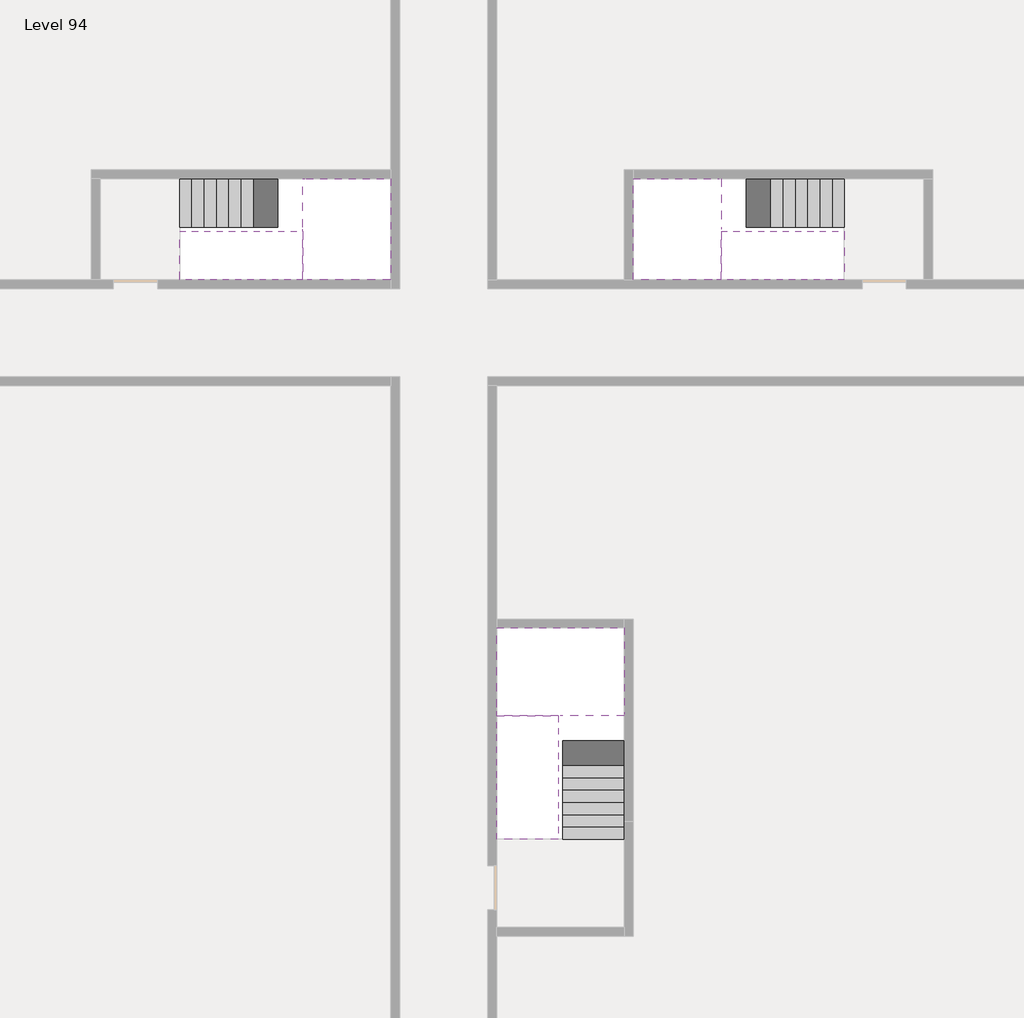
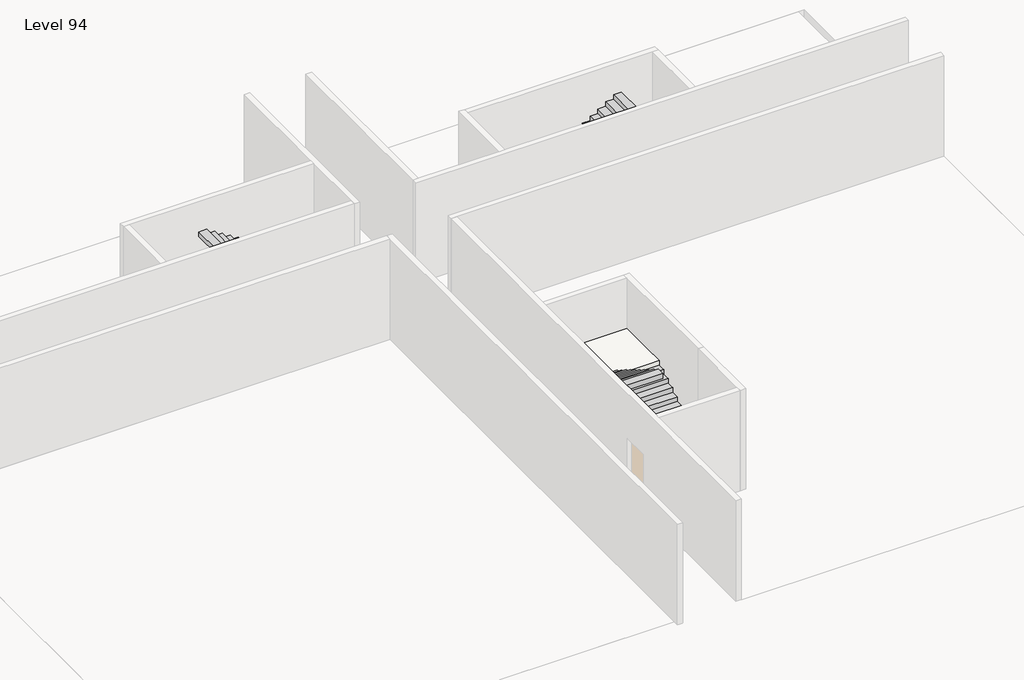
# One storey, part 2 of 2: 6 stair flights, 3 slabs.
"""IFC4 building model written with IfcOpenShell, lengths in millimetres."""

from ifc_helpers import new_model, si_unit, origin, place, context, project, spatial, faceted_brep, element, save

model = new_model("IFC4")

# Units and contexts
model_context = context("Model", 3, world=origin())
ifc_project = project(units=[si_unit("LENGTHUNIT", "METRE", prefix="MILLI")], contexts=[model_context])

# Site, building, storey
site = spatial("IfcSite", under=ifc_project)
building = spatial("IfcBuilding", under=site)
storey = spatial("IfcBuildingStorey", under=building, Name="Level 94", Elevation=353400.0)

# Slabs
placement = place(None, origin())
element("IfcSlab", 1, at=placement, inside=storey, context=model_context, shape_type="Brep", body=[
    faceted_brep([(26890.1058784, -40418.09644, 355300.0), (28290.1058784, -40418.09644, 355300.0), (28290.1058784, -40338.7100038, 355300.0), (28290.1058784, -38418.09644, 355300.0), (25390.1058784, -38418.09644, 355300.0), (25390.1058784, -40217.4828763, 355300.0), (25390.1058784, -40418.09644, 355300.0), (26790.1058784, -40418.09644, 355300.0), (26890.1058784, -40418.09644, 355000.0), (26890.1058784, -40418.09644, 354951.0278478), (28290.1058784, -40418.09644, 354951.0278478), (28290.1058784, -40418.09644, 355127.2727273), (28290.1058784, -40338.7100038, 355000.0), (28290.1058784, -38418.09644, 355000.0), (25390.1058784, -38418.09644, 355000.0), (25390.1058784, -40217.4828763, 355000.0), (25390.1058784, -40418.09644, 355123.7551205), (26790.1058784, -40418.09644, 355123.7551205), (26790.1058784, -40418.09644, 355000.0), (26790.1058784, -40217.4828763, 355000.0), (26890.1058784, -40338.7100038, 355000.0)], [[[0, 1, 2, 3, 4, 5, 6, 7]], [[1, 0, 8, 9, 10, 11]], [[1, 11, 10, 12, 13, 3, 2]], [[4, 3, 13, 14]], [[4, 14, 15, 16, 6, 5]], [[7, 6, 16, 17]], [[0, 7, 17, 18, 8]], [[18, 19, 15, 14, 13, 12, 20, 8]], [[19, 18, 17]], [[20, 12, 10, 9]], [[8, 20, 9]], [[15, 19, 17, 16]]]),
])
element("IfcSlab", 2, at=placement, inside=storey, context=model_context, shape_type="Brep", body=[
    faceted_brep([(20990.1058784, -28218.09644, 355300.0), (20990.1058784, -29318.09644, 355300.0), (20990.1058784, -29418.09644, 355300.0), (20990.1058784, -30518.09644, 355300.0), (21190.7194421, -30518.09644, 355300.0), (22990.1058784, -30518.09644, 355300.0), (22990.1058784, -28218.09644, 355300.0), (21069.4923146, -28218.09644, 355300.0), (20990.1058784, -28218.09644, 355127.2727273), (20990.1058784, -28218.09644, 354951.0278478), (20990.1058784, -29318.09644, 354951.0278478), (20990.1058784, -29318.09644, 355000.0), (20990.1058784, -29418.09644, 355000.0), (20990.1058784, -29418.09644, 355123.7551205), (20990.1058784, -30518.09644, 355123.7551205), (21190.7194421, -30518.09644, 355000.0), (22990.1058784, -30518.09644, 355000.0), (22990.1058784, -28218.09644, 355000.0), (21069.4923146, -28218.09644, 355000.0), (21190.7194421, -29418.09644, 355000.0), (21069.4923146, -29318.09644, 355000.0)], [[[0, 1, 2, 3, 4, 5, 6, 7]], [[1, 0, 8, 9, 10, 11]], [[2, 1, 11, 12, 13]], [[3, 2, 13, 14]], [[3, 14, 15, 16, 5, 4]], [[6, 5, 16, 17]], [[9, 8, 0, 7, 6, 17, 18]], [[19, 12, 11, 20, 18, 17, 16, 15]], [[12, 19, 13]], [[18, 20, 10, 9]], [[20, 11, 10]], [[19, 15, 14, 13]]]),
])
element("IfcSlab", 3, at=placement, inside=storey, context=model_context, shape_type="Brep", body=[
    faceted_brep([(30490.1058784, -29318.09644, 355300.0), (30490.1058784, -28218.09644, 355300.0), (30410.7194421, -28218.09644, 355300.0), (28490.1058784, -28218.09644, 355300.0), (28490.1058784, -30518.09644, 355300.0), (30289.4923146, -30518.09644, 355300.0), (30490.1058784, -30518.09644, 355300.0), (30490.1058784, -29418.09644, 355300.0), (30490.1058784, -29318.09644, 355000.0), (30490.1058784, -29318.09644, 354951.0278478), (30490.1058784, -28218.09644, 354951.0278478), (30490.1058784, -28218.09644, 355127.2727273), (30490.1058784, -29418.09644, 355123.7551205), (30490.1058784, -29418.09644, 355000.0), (30490.1058784, -30518.09644, 355123.7551205), (28490.1058784, -30518.09644, 355000.0), (30289.4923146, -30518.09644, 355000.0), (28490.1058784, -28218.09644, 355000.0), (30410.7194421, -28218.09644, 355000.0), (30289.4923146, -29418.09644, 355000.0), (30410.7194421, -29318.09644, 355000.0)], [[[0, 1, 2, 3, 4, 5, 6, 7]], [[1, 0, 8, 9, 10, 11]], [[0, 7, 12, 13, 8]], [[7, 6, 14, 12]], [[4, 15, 16, 14, 6, 5]], [[4, 3, 17, 15]], [[1, 11, 10, 18, 17, 3, 2]], [[13, 19, 16, 15, 17, 18, 20, 8]], [[20, 18, 10, 9]], [[8, 20, 9]], [[16, 19, 12, 14]], [[19, 13, 12]]]),
])

# Stair flights
element("IfcStairFlight", 4, at=placement, inside=storey, context=model_context, shape_type="Brep", body=[
    faceted_brep([(26890.1058784, -42938.09644, 353572.7272727), (26890.1058784, -43218.09644, 353572.7272727), (28290.1058784, -43218.09644, 353572.7272727), (28290.1058784, -42938.09644, 353572.7272727), (26890.1058784, -42938.09644, 353400.0), (26890.1058784, -43218.09644, 353400.0), (28290.1058784, -43218.09644, 353400.0), (28290.1058784, -42938.09644, 353400.0), (26890.1058784, -42658.09644, 353745.4545455), (26890.1058784, -42938.09644, 353745.4545455), (28290.1058784, -42938.09644, 353745.4545455), (28290.1058784, -42658.09644, 353745.4545455), (26890.1058784, -42658.09644, 353569.209666), (26890.1058784, -42932.3942143, 353400.0), (28290.1058784, -42932.3942143, 353400.0), (28290.1058784, -42658.09644, 353569.209666), (26890.1058784, -42378.09644, 353918.1818182), (26890.1058784, -42658.09644, 353918.1818182), (28290.1058784, -42658.09644, 353918.1818182), (28290.1058784, -42378.09644, 353918.1818182), (26890.1058784, -42378.09644, 353741.9369387), (28290.1058784, -42378.09644, 353741.9369387), (26890.1058784, -42098.09644, 354090.9090909), (26890.1058784, -42378.09644, 354090.9090909), (28290.1058784, -42378.09644, 354090.9090909), (28290.1058784, -42098.09644, 354090.9090909), (26890.1058784, -42098.09644, 353914.6642114), (28290.1058784, -42098.09644, 353914.6642114), (26890.1058784, -41818.09644, 354263.6363636), (26890.1058784, -42098.09644, 354263.6363636), (28290.1058784, -42098.09644, 354263.6363636), (28290.1058784, -41818.09644, 354263.6363636), (26890.1058784, -41818.09644, 354087.3914841), (28290.1058784, -41818.09644, 354087.3914841), (26890.1058784, -41538.09644, 354436.3636364), (26890.1058784, -41818.09644, 354436.3636364), (28290.1058784, -41818.09644, 354436.3636364), (28290.1058784, -41538.09644, 354436.3636364), (26890.1058784, -41538.09644, 354260.1187569), (28290.1058784, -41538.09644, 354260.1187569), (26890.1058784, -41258.09644, 354609.0909091), (26890.1058784, -41538.09644, 354609.0909091), (28290.1058784, -41538.09644, 354609.0909091), (28290.1058784, -41258.09644, 354609.0909091), (26890.1058784, -41258.09644, 354432.8460296), (28290.1058784, -41258.09644, 354432.8460296), (26890.1058784, -40978.09644, 354781.8181818), (26890.1058784, -41258.09644, 354781.8181818), (28290.1058784, -41258.09644, 354781.8181818), (28290.1058784, -40978.09644, 354781.8181818), (26890.1058784, -40978.09644, 354605.5733023), (28290.1058784, -40978.09644, 354605.5733023), (26890.1058784, -40698.09644, 354954.5454545), (26890.1058784, -40978.09644, 354954.5454545), (28290.1058784, -40978.09644, 354954.5454545), (28290.1058784, -40698.09644, 354954.5454545), (26890.1058784, -40698.09644, 354778.3005751), (28290.1058784, -40698.09644, 354778.3005751), (26890.1058784, -40418.09644, 355127.2727273), (26890.1058784, -40698.09644, 355127.2727273), (28290.1058784, -40698.09644, 355127.2727273), (28290.1058784, -40418.09644, 355127.2727273), (26890.1058784, -40418.09644, 355000.0), (26890.1058784, -40418.09644, 354951.0278478), (28290.1058784, -40418.09644, 354951.0278478)], [[[0, 1, 2, 3]], [[1, 0, 4, 5]], [[2, 1, 5, 6]], [[3, 2, 6, 7]], [[8, 9, 10, 11]], [[4, 0, 9, 8, 12, 13]], [[0, 3, 10, 9]], [[3, 7, 14, 15, 11, 10]], [[16, 17, 18, 19]], [[17, 16, 20, 12, 8]], [[8, 11, 18, 17]], [[19, 18, 11, 15, 21]], [[22, 23, 24, 25]], [[23, 22, 26, 20, 16]], [[16, 19, 24, 23]], [[25, 24, 19, 21, 27]], [[28, 29, 30, 31]], [[29, 28, 32, 26, 22]], [[22, 25, 30, 29]], [[31, 30, 25, 27, 33]], [[34, 35, 36, 37]], [[35, 34, 38, 32, 28]], [[28, 31, 36, 35]], [[37, 36, 31, 33, 39]], [[40, 41, 42, 43]], [[41, 40, 44, 38, 34]], [[34, 37, 42, 41]], [[43, 42, 37, 39, 45]], [[46, 47, 48, 49]], [[47, 46, 50, 44, 40]], [[40, 43, 48, 47]], [[49, 48, 43, 45, 51]], [[52, 53, 54, 55]], [[53, 52, 56, 50, 46]], [[46, 49, 54, 53]], [[55, 54, 49, 51, 57]], [[58, 59, 60, 61]], [[59, 58, 62, 63, 56, 52]], [[52, 55, 60, 59]], [[61, 60, 55, 57, 64]], [[58, 61, 64, 63, 62]], [[5, 4, 13, 14, 7, 6]], [[14, 13, 12, 20, 26, 32, 38, 44, 50, 56, 63, 64, 57, 51, 45, 39, 33, 27, 21, 15]]]),
])
element("IfcStairFlight", 5, at=placement, inside=storey, context=model_context, shape_type="Brep", body=[
    faceted_brep([(26790.1058784, -40698.09644, 355472.7272727), (26790.1058784, -40418.09644, 355472.7272727), (25390.1058784, -40418.09644, 355472.7272727), (25390.1058784, -40698.09644, 355472.7272727), (26790.1058784, -40698.09644, 355296.4823932), (26790.1058784, -40418.09644, 355123.7551205), (25390.1058784, -40418.09644, 355123.7551205), (25390.1058784, -40418.09644, 355300.0), (25390.1058784, -40698.09644, 355296.4823932), (26790.1058784, -40978.09644, 355645.4545455), (26790.1058784, -40698.09644, 355645.4545455), (25390.1058784, -40698.09644, 355645.4545455), (25390.1058784, -40978.09644, 355645.4545455), (26790.1058784, -40978.09644, 355469.209666), (25390.1058784, -40978.09644, 355469.209666), (26790.1058784, -41258.09644, 355818.1818182), (26790.1058784, -40978.09644, 355818.1818182), (25390.1058784, -40978.09644, 355818.1818182), (25390.1058784, -41258.09644, 355818.1818182), (26790.1058784, -41258.09644, 355641.9369387), (25390.1058784, -41258.09644, 355641.9369387), (26790.1058784, -41538.09644, 355990.9090909), (26790.1058784, -41258.09644, 355990.9090909), (25390.1058784, -41258.09644, 355990.9090909), (25390.1058784, -41538.09644, 355990.9090909), (26790.1058784, -41538.09644, 355814.6642114), (25390.1058784, -41538.09644, 355814.6642114), (26790.1058784, -41818.09644, 356163.6363636), (26790.1058784, -41538.09644, 356163.6363636), (25390.1058784, -41538.09644, 356163.6363636), (25390.1058784, -41818.09644, 356163.6363636), (26790.1058784, -41818.09644, 355987.3914841), (25390.1058784, -41818.09644, 355987.3914841), (26790.1058784, -42098.09644, 356336.3636364), (26790.1058784, -41818.09644, 356336.3636364), (25390.1058784, -41818.09644, 356336.3636364), (25390.1058784, -42098.09644, 356336.3636364), (26790.1058784, -42098.09644, 356160.1187569), (25390.1058784, -42098.09644, 356160.1187569), (26790.1058784, -42378.09644, 356509.0909091), (26790.1058784, -42098.09644, 356509.0909091), (25390.1058784, -42098.09644, 356509.0909091), (25390.1058784, -42378.09644, 356509.0909091), (26790.1058784, -42378.09644, 356332.8460296), (25390.1058784, -42378.09644, 356332.8460296), (26790.1058784, -42658.09644, 356681.8181818), (26790.1058784, -42378.09644, 356681.8181818), (25390.1058784, -42378.09644, 356681.8181818), (25390.1058784, -42658.09644, 356681.8181818), (26790.1058784, -42658.09644, 356505.5733023), (25390.1058784, -42658.09644, 356505.5733023), (26790.1058784, -42938.09644, 356854.5454545), (26790.1058784, -42658.09644, 356854.5454545), (25390.1058784, -42658.09644, 356854.5454545), (25390.1058784, -42938.09644, 356854.5454545), (26790.1058784, -42938.09644, 356678.3005751), (25390.1058784, -42938.09644, 356678.3005751), (26790.1058784, -43218.09644, 357027.2727273), (26790.1058784, -42938.09644, 357027.2727273), (25390.1058784, -42938.09644, 357027.2727273), (25390.1058784, -43218.09644, 357027.2727273), (26790.1058784, -43218.09644, 356851.0278478), (25390.1058784, -43218.09644, 356851.0278478)], [[[0, 1, 2, 3]], [[1, 0, 4, 5]], [[2, 1, 5, 6, 7]], [[3, 2, 7, 6, 8]], [[9, 10, 11, 12]], [[10, 9, 13, 4, 0]], [[11, 10, 0, 3]], [[12, 11, 3, 8, 14]], [[15, 16, 17, 18]], [[16, 15, 19, 13, 9]], [[17, 16, 9, 12]], [[18, 17, 12, 14, 20]], [[21, 22, 23, 24]], [[22, 21, 25, 19, 15]], [[23, 22, 15, 18]], [[24, 23, 18, 20, 26]], [[27, 28, 29, 30]], [[28, 27, 31, 25, 21]], [[29, 28, 21, 24]], [[30, 29, 24, 26, 32]], [[33, 34, 35, 36]], [[34, 33, 37, 31, 27]], [[35, 34, 27, 30]], [[36, 35, 30, 32, 38]], [[39, 40, 41, 42]], [[40, 39, 43, 37, 33]], [[41, 40, 33, 36]], [[42, 41, 36, 38, 44]], [[45, 46, 47, 48]], [[46, 45, 49, 43, 39]], [[47, 46, 39, 42]], [[48, 47, 42, 44, 50]], [[51, 52, 53, 54]], [[52, 51, 55, 49, 45]], [[53, 52, 45, 48]], [[54, 53, 48, 50, 56]], [[57, 58, 59, 60]], [[58, 57, 61, 55, 51]], [[59, 58, 51, 54]], [[60, 59, 54, 56, 62]], [[57, 60, 62, 61]], [[5, 4, 13, 19, 25, 31, 37, 43, 49, 55, 61, 62, 56, 50, 44, 38, 32, 26, 20, 14, 8, 6]]]),
])
element("IfcStairFlight", 6, at=placement, inside=storey, context=model_context, shape_type="Brep", body=[
    faceted_brep([(18470.1058784, -28218.09644, 353572.7272727), (18190.1058784, -28218.09644, 353572.7272727), (18190.1058784, -29318.09644, 353572.7272727), (18470.1058784, -29318.09644, 353572.7272727), (18470.1058784, -28218.09644, 353400.0), (18190.1058784, -28218.09644, 353400.0), (18190.1058784, -29318.09644, 353400.0), (18470.1058784, -29318.09644, 353400.0), (18750.1058784, -28218.09644, 353745.4545455), (18470.1058784, -28218.09644, 353745.4545455), (18470.1058784, -29318.09644, 353745.4545455), (18750.1058784, -29318.09644, 353745.4545455), (18750.1058784, -28218.09644, 353569.209666), (18475.8081041, -28218.09644, 353400.0), (18475.8081041, -29318.09644, 353400.0), (18750.1058784, -29318.09644, 353569.209666), (19030.1058784, -28218.09644, 353918.1818182), (18750.1058784, -28218.09644, 353918.1818182), (18750.1058784, -29318.09644, 353918.1818182), (19030.1058784, -29318.09644, 353918.1818182), (19030.1058784, -28218.09644, 353741.9369387), (19030.1058784, -29318.09644, 353741.9369387), (19310.1058784, -28218.09644, 354090.9090909), (19030.1058784, -28218.09644, 354090.9090909), (19030.1058784, -29318.09644, 354090.9090909), (19310.1058784, -29318.09644, 354090.9090909), (19310.1058784, -28218.09644, 353914.6642114), (19310.1058784, -29318.09644, 353914.6642114), (19590.1058784, -28218.09644, 354263.6363636), (19310.1058784, -28218.09644, 354263.6363636), (19310.1058784, -29318.09644, 354263.6363636), (19590.1058784, -29318.09644, 354263.6363636), (19590.1058784, -28218.09644, 354087.3914841), (19590.1058784, -29318.09644, 354087.3914841), (19870.1058784, -28218.09644, 354436.3636364), (19590.1058784, -28218.09644, 354436.3636364), (19590.1058784, -29318.09644, 354436.3636364), (19870.1058784, -29318.09644, 354436.3636364), (19870.1058784, -28218.09644, 354260.1187569), (19870.1058784, -29318.09644, 354260.1187569), (20150.1058784, -28218.09644, 354609.0909091), (19870.1058784, -28218.09644, 354609.0909091), (19870.1058784, -29318.09644, 354609.0909091), (20150.1058784, -29318.09644, 354609.0909091), (20150.1058784, -28218.09644, 354432.8460296), (20150.1058784, -29318.09644, 354432.8460296), (20430.1058784, -28218.09644, 354781.8181818), (20150.1058784, -28218.09644, 354781.8181818), (20150.1058784, -29318.09644, 354781.8181818), (20430.1058784, -29318.09644, 354781.8181818), (20430.1058784, -28218.09644, 354605.5733023), (20430.1058784, -29318.09644, 354605.5733023), (20710.1058784, -28218.09644, 354954.5454545), (20430.1058784, -28218.09644, 354954.5454545), (20430.1058784, -29318.09644, 354954.5454545), (20710.1058784, -29318.09644, 354954.5454545), (20710.1058784, -28218.09644, 354778.3005751), (20710.1058784, -29318.09644, 354778.3005751), (20990.1058784, -28218.09644, 355127.2727273), (20710.1058784, -28218.09644, 355127.2727273), (20710.1058784, -29318.09644, 355127.2727273), (20990.1058784, -29318.09644, 355127.2727273), (20990.1058784, -28218.09644, 354951.0278478), (20990.1058784, -29318.09644, 354951.0278478), (20990.1058784, -29318.09644, 355000.0)], [[[0, 1, 2, 3]], [[1, 0, 4, 5]], [[2, 1, 5, 6]], [[3, 2, 6, 7]], [[8, 9, 10, 11]], [[4, 0, 9, 8, 12, 13]], [[0, 3, 10, 9]], [[3, 7, 14, 15, 11, 10]], [[16, 17, 18, 19]], [[17, 16, 20, 12, 8]], [[8, 11, 18, 17]], [[19, 18, 11, 15, 21]], [[22, 23, 24, 25]], [[23, 22, 26, 20, 16]], [[16, 19, 24, 23]], [[25, 24, 19, 21, 27]], [[28, 29, 30, 31]], [[29, 28, 32, 26, 22]], [[22, 25, 30, 29]], [[31, 30, 25, 27, 33]], [[34, 35, 36, 37]], [[35, 34, 38, 32, 28]], [[28, 31, 36, 35]], [[37, 36, 31, 33, 39]], [[40, 41, 42, 43]], [[41, 40, 44, 38, 34]], [[34, 37, 42, 41]], [[43, 42, 37, 39, 45]], [[46, 47, 48, 49]], [[47, 46, 50, 44, 40]], [[40, 43, 48, 47]], [[49, 48, 43, 45, 51]], [[52, 53, 54, 55]], [[53, 52, 56, 50, 46]], [[46, 49, 54, 53]], [[55, 54, 49, 51, 57]], [[58, 59, 60, 61]], [[59, 58, 62, 56, 52]], [[52, 55, 60, 59]], [[61, 60, 55, 57, 63, 64]], [[58, 61, 64, 63, 62]], [[5, 4, 13, 14, 7, 6]], [[14, 13, 12, 20, 26, 32, 38, 44, 50, 56, 62, 63, 57, 51, 45, 39, 33, 27, 21, 15]]]),
])
element("IfcStairFlight", 7, at=placement, inside=storey, context=model_context, shape_type="Brep", body=[
    faceted_brep([(20710.1058784, -30518.09644, 355472.7272727), (20990.1058784, -30518.09644, 355472.7272727), (20990.1058784, -29418.09644, 355472.7272727), (20710.1058784, -29418.09644, 355472.7272727), (20710.1058784, -30518.09644, 355296.4823932), (20990.1058784, -30518.09644, 355123.7551205), (20990.1058784, -30518.09644, 355300.0), (20990.1058784, -29418.09644, 355123.7551205), (20710.1058784, -29418.09644, 355296.4823932), (20430.1058784, -30518.09644, 355645.4545455), (20710.1058784, -30518.09644, 355645.4545455), (20710.1058784, -29418.09644, 355645.4545455), (20430.1058784, -29418.09644, 355645.4545455), (20430.1058784, -30518.09644, 355469.209666), (20430.1058784, -29418.09644, 355469.209666), (20150.1058784, -30518.09644, 355818.1818182), (20430.1058784, -30518.09644, 355818.1818182), (20430.1058784, -29418.09644, 355818.1818182), (20150.1058784, -29418.09644, 355818.1818182), (20150.1058784, -30518.09644, 355641.9369387), (20150.1058784, -29418.09644, 355641.9369387), (19870.1058784, -30518.09644, 355990.9090909), (20150.1058784, -30518.09644, 355990.9090909), (20150.1058784, -29418.09644, 355990.9090909), (19870.1058784, -29418.09644, 355990.9090909), (19870.1058784, -30518.09644, 355814.6642114), (19870.1058784, -29418.09644, 355814.6642114), (19590.1058784, -30518.09644, 356163.6363636), (19870.1058784, -30518.09644, 356163.6363636), (19870.1058784, -29418.09644, 356163.6363636), (19590.1058784, -29418.09644, 356163.6363636), (19590.1058784, -30518.09644, 355987.3914841), (19590.1058784, -29418.09644, 355987.3914841), (19310.1058784, -30518.09644, 356336.3636364), (19590.1058784, -30518.09644, 356336.3636364), (19590.1058784, -29418.09644, 356336.3636364), (19310.1058784, -29418.09644, 356336.3636364), (19310.1058784, -30518.09644, 356160.1187569), (19310.1058784, -29418.09644, 356160.1187569), (19030.1058784, -30518.09644, 356509.0909091), (19310.1058784, -30518.09644, 356509.0909091), (19310.1058784, -29418.09644, 356509.0909091), (19030.1058784, -29418.09644, 356509.0909091), (19030.1058784, -30518.09644, 356332.8460296), (19030.1058784, -29418.09644, 356332.8460296), (18750.1058784, -30518.09644, 356681.8181818), (19030.1058784, -30518.09644, 356681.8181818), (19030.1058784, -29418.09644, 356681.8181818), (18750.1058784, -29418.09644, 356681.8181818), (18750.1058784, -30518.09644, 356505.5733023), (18750.1058784, -29418.09644, 356505.5733023), (18470.1058784, -30518.09644, 356854.5454545), (18750.1058784, -30518.09644, 356854.5454545), (18750.1058784, -29418.09644, 356854.5454545), (18470.1058784, -29418.09644, 356854.5454545), (18470.1058784, -30518.09644, 356678.3005751), (18470.1058784, -29418.09644, 356678.3005751), (18190.1058784, -30518.09644, 357027.2727273), (18470.1058784, -30518.09644, 357027.2727273), (18470.1058784, -29418.09644, 357027.2727273), (18190.1058784, -29418.09644, 357027.2727273), (18190.1058784, -30518.09644, 356851.0278478), (18190.1058784, -29418.09644, 356851.0278478)], [[[0, 1, 2, 3]], [[1, 0, 4, 5, 6]], [[2, 1, 6, 5, 7]], [[3, 2, 7, 8]], [[9, 10, 11, 12]], [[10, 9, 13, 4, 0]], [[11, 10, 0, 3]], [[12, 11, 3, 8, 14]], [[15, 16, 17, 18]], [[16, 15, 19, 13, 9]], [[17, 16, 9, 12]], [[18, 17, 12, 14, 20]], [[21, 22, 23, 24]], [[22, 21, 25, 19, 15]], [[23, 22, 15, 18]], [[24, 23, 18, 20, 26]], [[27, 28, 29, 30]], [[28, 27, 31, 25, 21]], [[29, 28, 21, 24]], [[30, 29, 24, 26, 32]], [[33, 34, 35, 36]], [[34, 33, 37, 31, 27]], [[35, 34, 27, 30]], [[36, 35, 30, 32, 38]], [[39, 40, 41, 42]], [[40, 39, 43, 37, 33]], [[41, 40, 33, 36]], [[42, 41, 36, 38, 44]], [[45, 46, 47, 48]], [[46, 45, 49, 43, 39]], [[47, 46, 39, 42]], [[48, 47, 42, 44, 50]], [[51, 52, 53, 54]], [[52, 51, 55, 49, 45]], [[53, 52, 45, 48]], [[54, 53, 48, 50, 56]], [[57, 58, 59, 60]], [[58, 57, 61, 55, 51]], [[59, 58, 51, 54]], [[60, 59, 54, 56, 62]], [[57, 60, 62, 61]], [[5, 4, 13, 19, 25, 31, 37, 43, 49, 55, 61, 62, 56, 50, 44, 38, 32, 26, 20, 14, 8, 7]]]),
])
element("IfcStairFlight", 8, at=placement, inside=storey, context=model_context, shape_type="Brep", body=[
    faceted_brep([(33010.1058784, -29318.09644, 353572.7272727), (33290.1058784, -29318.09644, 353572.7272727), (33290.1058784, -28218.09644, 353572.7272727), (33010.1058784, -28218.09644, 353572.7272727), (33290.1058784, -28218.09644, 353400.0), (33010.1058784, -28218.09644, 353400.0), (33290.1058784, -29318.09644, 353400.0), (33010.1058784, -29318.09644, 353400.0), (32730.1058784, -29318.09644, 353745.4545455), (33010.1058784, -29318.09644, 353745.4545455), (33010.1058784, -28218.09644, 353745.4545455), (32730.1058784, -28218.09644, 353745.4545455), (33004.4036527, -28218.09644, 353400.0), (32730.1058784, -28218.09644, 353569.209666), (32730.1058784, -29318.09644, 353569.209666), (33004.4036527, -29318.09644, 353400.0), (32450.1058784, -29318.09644, 353918.1818182), (32730.1058784, -29318.09644, 353918.1818182), (32730.1058784, -28218.09644, 353918.1818182), (32450.1058784, -28218.09644, 353918.1818182), (32450.1058784, -28218.09644, 353741.9369387), (32450.1058784, -29318.09644, 353741.9369387), (32170.1058784, -29318.09644, 354090.9090909), (32450.1058784, -29318.09644, 354090.9090909), (32450.1058784, -28218.09644, 354090.9090909), (32170.1058784, -28218.09644, 354090.9090909), (32170.1058784, -28218.09644, 353914.6642114), (32170.1058784, -29318.09644, 353914.6642114), (31890.1058784, -29318.09644, 354263.6363636), (32170.1058784, -29318.09644, 354263.6363636), (32170.1058784, -28218.09644, 354263.6363636), (31890.1058784, -28218.09644, 354263.6363636), (31890.1058784, -28218.09644, 354087.3914841), (31890.1058784, -29318.09644, 354087.3914841), (31610.1058784, -29318.09644, 354436.3636364), (31890.1058784, -29318.09644, 354436.3636364), (31890.1058784, -28218.09644, 354436.3636364), (31610.1058784, -28218.09644, 354436.3636364), (31610.1058784, -28218.09644, 354260.1187569), (31610.1058784, -29318.09644, 354260.1187569), (31330.1058784, -29318.09644, 354609.0909091), (31610.1058784, -29318.09644, 354609.0909091), (31610.1058784, -28218.09644, 354609.0909091), (31330.1058784, -28218.09644, 354609.0909091), (31330.1058784, -28218.09644, 354432.8460296), (31330.1058784, -29318.09644, 354432.8460296), (31050.1058784, -29318.09644, 354781.8181818), (31330.1058784, -29318.09644, 354781.8181818), (31330.1058784, -28218.09644, 354781.8181818), (31050.1058784, -28218.09644, 354781.8181818), (31050.1058784, -28218.09644, 354605.5733023), (31050.1058784, -29318.09644, 354605.5733023), (30770.1058784, -29318.09644, 354954.5454545), (31050.1058784, -29318.09644, 354954.5454545), (31050.1058784, -28218.09644, 354954.5454545), (30770.1058784, -28218.09644, 354954.5454545), (30770.1058784, -28218.09644, 354778.3005751), (30770.1058784, -29318.09644, 354778.3005751), (30490.1058784, -29318.09644, 355127.2727273), (30770.1058784, -29318.09644, 355127.2727273), (30770.1058784, -28218.09644, 355127.2727273), (30490.1058784, -28218.09644, 355127.2727273), (30490.1058784, -28218.09644, 354951.0278478), (30490.1058784, -29318.09644, 355000.0), (30490.1058784, -29318.09644, 354951.0278478)], [[[0, 1, 2, 3]], [[3, 2, 4, 5]], [[2, 1, 6, 4]], [[1, 0, 7, 6]], [[8, 9, 10, 11]], [[3, 5, 12, 13, 11, 10]], [[0, 3, 10, 9]], [[7, 0, 9, 8, 14, 15]], [[16, 17, 18, 19]], [[19, 18, 11, 13, 20]], [[8, 11, 18, 17]], [[17, 16, 21, 14, 8]], [[22, 23, 24, 25]], [[25, 24, 19, 20, 26]], [[16, 19, 24, 23]], [[23, 22, 27, 21, 16]], [[28, 29, 30, 31]], [[31, 30, 25, 26, 32]], [[22, 25, 30, 29]], [[29, 28, 33, 27, 22]], [[34, 35, 36, 37]], [[37, 36, 31, 32, 38]], [[28, 31, 36, 35]], [[35, 34, 39, 33, 28]], [[40, 41, 42, 43]], [[43, 42, 37, 38, 44]], [[34, 37, 42, 41]], [[41, 40, 45, 39, 34]], [[46, 47, 48, 49]], [[49, 48, 43, 44, 50]], [[40, 43, 48, 47]], [[47, 46, 51, 45, 40]], [[52, 53, 54, 55]], [[55, 54, 49, 50, 56]], [[46, 49, 54, 53]], [[53, 52, 57, 51, 46]], [[58, 59, 60, 61]], [[61, 60, 55, 56, 62]], [[52, 55, 60, 59]], [[59, 58, 63, 64, 57, 52]], [[58, 61, 62, 64, 63]], [[6, 7, 15, 12, 5, 4]], [[12, 15, 14, 21, 27, 33, 39, 45, 51, 57, 64, 62, 56, 50, 44, 38, 32, 26, 20, 13]]]),
])
element("IfcStairFlight", 9, at=placement, inside=storey, context=model_context, shape_type="Brep", body=[
    faceted_brep([(30770.1058784, -29418.09644, 355472.7272727), (30490.1058784, -29418.09644, 355472.7272727), (30490.1058784, -30518.09644, 355472.7272727), (30770.1058784, -30518.09644, 355472.7272727), (30490.1058784, -30518.09644, 355300.0), (30490.1058784, -30518.09644, 355123.7551205), (30770.1058784, -30518.09644, 355296.4823932), (30490.1058784, -29418.09644, 355123.7551205), (30770.1058784, -29418.09644, 355296.4823932), (31050.1058784, -29418.09644, 355645.4545455), (30770.1058784, -29418.09644, 355645.4545455), (30770.1058784, -30518.09644, 355645.4545455), (31050.1058784, -30518.09644, 355645.4545455), (31050.1058784, -30518.09644, 355469.209666), (31050.1058784, -29418.09644, 355469.209666), (31330.1058784, -29418.09644, 355818.1818182), (31050.1058784, -29418.09644, 355818.1818182), (31050.1058784, -30518.09644, 355818.1818182), (31330.1058784, -30518.09644, 355818.1818182), (31330.1058784, -30518.09644, 355641.9369387), (31330.1058784, -29418.09644, 355641.9369387), (31610.1058784, -29418.09644, 355990.9090909), (31330.1058784, -29418.09644, 355990.9090909), (31330.1058784, -30518.09644, 355990.9090909), (31610.1058784, -30518.09644, 355990.9090909), (31610.1058784, -30518.09644, 355814.6642114), (31610.1058784, -29418.09644, 355814.6642114), (31890.1058784, -29418.09644, 356163.6363636), (31610.1058784, -29418.09644, 356163.6363636), (31610.1058784, -30518.09644, 356163.6363636), (31890.1058784, -30518.09644, 356163.6363636), (31890.1058784, -30518.09644, 355987.3914841), (31890.1058784, -29418.09644, 355987.3914841), (32170.1058784, -29418.09644, 356336.3636364), (31890.1058784, -29418.09644, 356336.3636364), (31890.1058784, -30518.09644, 356336.3636364), (32170.1058784, -30518.09644, 356336.3636364), (32170.1058784, -30518.09644, 356160.1187569), (32170.1058784, -29418.09644, 356160.1187569), (32450.1058784, -29418.09644, 356509.0909091), (32170.1058784, -29418.09644, 356509.0909091), (32170.1058784, -30518.09644, 356509.0909091), (32450.1058784, -30518.09644, 356509.0909091), (32450.1058784, -30518.09644, 356332.8460296), (32450.1058784, -29418.09644, 356332.8460296), (32730.1058784, -29418.09644, 356681.8181818), (32450.1058784, -29418.09644, 356681.8181818), (32450.1058784, -30518.09644, 356681.8181818), (32730.1058784, -30518.09644, 356681.8181818), (32730.1058784, -30518.09644, 356505.5733023), (32730.1058784, -29418.09644, 356505.5733023), (33010.1058784, -29418.09644, 356854.5454545), (32730.1058784, -29418.09644, 356854.5454545), (32730.1058784, -30518.09644, 356854.5454545), (33010.1058784, -30518.09644, 356854.5454545), (33010.1058784, -30518.09644, 356678.3005751), (33010.1058784, -29418.09644, 356678.3005751), (33290.1058784, -29418.09644, 357027.2727273), (33010.1058784, -29418.09644, 357027.2727273), (33010.1058784, -30518.09644, 357027.2727273), (33290.1058784, -30518.09644, 357027.2727273), (33290.1058784, -30518.09644, 356851.0278478), (33290.1058784, -29418.09644, 356851.0278478)], [[[0, 1, 2, 3]], [[3, 2, 4, 5, 6]], [[2, 1, 7, 5, 4]], [[1, 0, 8, 7]], [[9, 10, 11, 12]], [[12, 11, 3, 6, 13]], [[11, 10, 0, 3]], [[10, 9, 14, 8, 0]], [[15, 16, 17, 18]], [[18, 17, 12, 13, 19]], [[17, 16, 9, 12]], [[16, 15, 20, 14, 9]], [[21, 22, 23, 24]], [[24, 23, 18, 19, 25]], [[23, 22, 15, 18]], [[22, 21, 26, 20, 15]], [[27, 28, 29, 30]], [[30, 29, 24, 25, 31]], [[29, 28, 21, 24]], [[28, 27, 32, 26, 21]], [[33, 34, 35, 36]], [[36, 35, 30, 31, 37]], [[35, 34, 27, 30]], [[34, 33, 38, 32, 27]], [[39, 40, 41, 42]], [[42, 41, 36, 37, 43]], [[41, 40, 33, 36]], [[40, 39, 44, 38, 33]], [[45, 46, 47, 48]], [[48, 47, 42, 43, 49]], [[47, 46, 39, 42]], [[46, 45, 50, 44, 39]], [[51, 52, 53, 54]], [[54, 53, 48, 49, 55]], [[53, 52, 45, 48]], [[52, 51, 56, 50, 45]], [[57, 58, 59, 60]], [[60, 59, 54, 55, 61]], [[59, 58, 51, 54]], [[58, 57, 62, 56, 51]], [[57, 60, 61, 62]], [[7, 8, 14, 20, 26, 32, 38, 44, 50, 56, 62, 61, 55, 49, 43, 37, 31, 25, 19, 13, 6, 5]]]),
])

save(model, "model.ifc")
